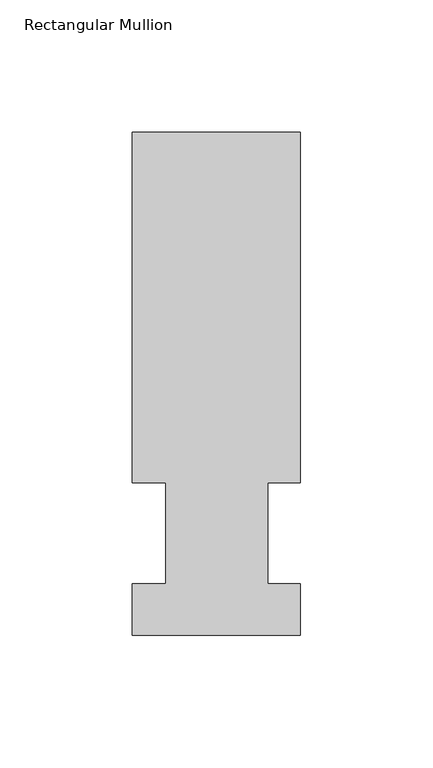
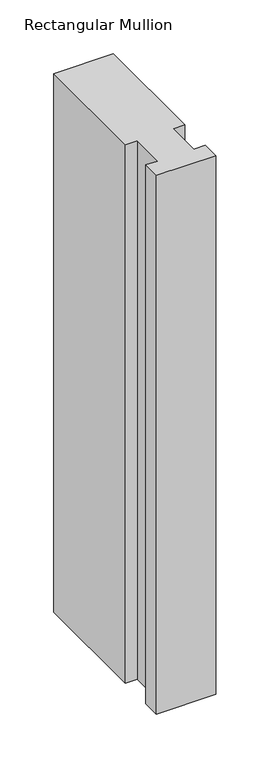
"""IFC4 building model written with IfcOpenShell, lengths in millimetres: member geometry, Rectangular Mullion."""

from ifc_helpers import new_model, si_unit, frame, origin, place, context, project, spatial, polyline, outline, extrude, source, transform, mapped, element, save


def rectangular_mullion_429f5071(model_context):
    return source(origin(), model_context, "Body", "SweptSolid", [
        extrude(outline(polyline([(-63.5, 57.6460937), (-63.5, 190.0816938), (0.0, 190.0816938), (0.0, 57.6460937), (-12.3418395, 57.6460937), (-12.3418395, 19.5460938), (0.0, 19.5460938), (0.0, 0.0134938), (-63.5, 0.0134938), (-63.5, 19.5460938), (-50.8, 19.5460938), (-50.8, 57.6460937), (-63.5, 57.6460937)])), frame((0.0, 0.0, -609.6), z_axis=(0.0, 0.0, 1.0), x_axis=(1.0, 0.0, 0.0)), (0.0, 0.0, 1.0), 609.6),
    ])


if __name__ == "__main__":
    model = new_model("IFC4")
    model_context = context("Model", 3, world=origin())
    ifc_project = project(units=[si_unit("LENGTHUNIT", "METRE", prefix="MILLI")], contexts=[model_context])
    site = spatial("IfcSite", under=ifc_project)
    building = spatial("IfcBuilding", under=site)
    placement = place(None, origin())
    rectangular_mullion_shape = rectangular_mullion_429f5071(model_context)
    element("IfcMember", 1, ObjectType="Rectangular Mullion", at=placement, inside=building, context=model_context, shape_type="MappedRepresentation", body=[
        mapped(rectangular_mullion_shape, transform((0.0, 0.0, 0.0), x_axis=(1.0, 0.0, 0.0), y_axis=(0.0, 1.0, 0.0), z_axis=(0.0, 0.0, 1.0))),
    ])
    save(model, "model.ifc")
